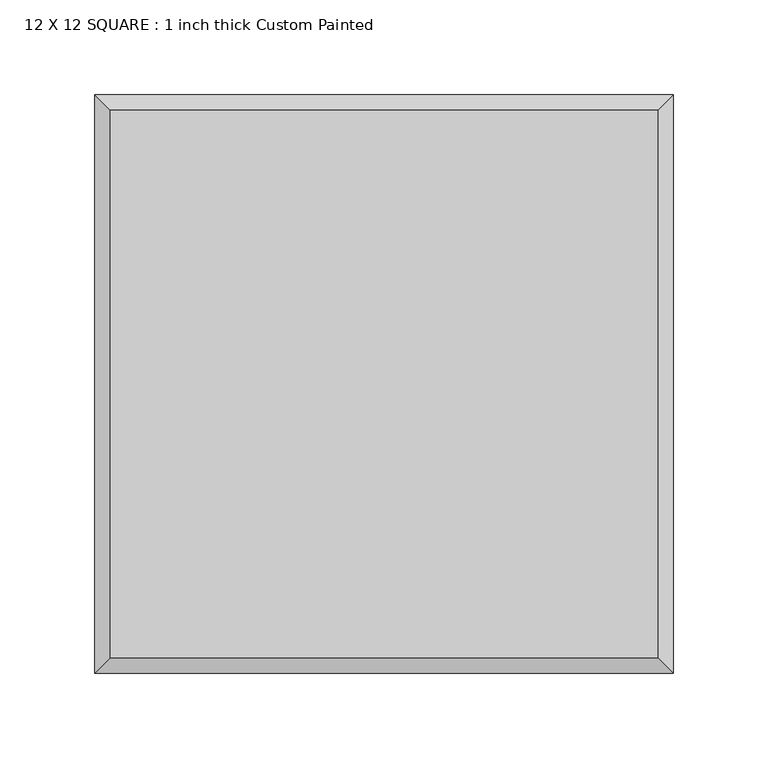
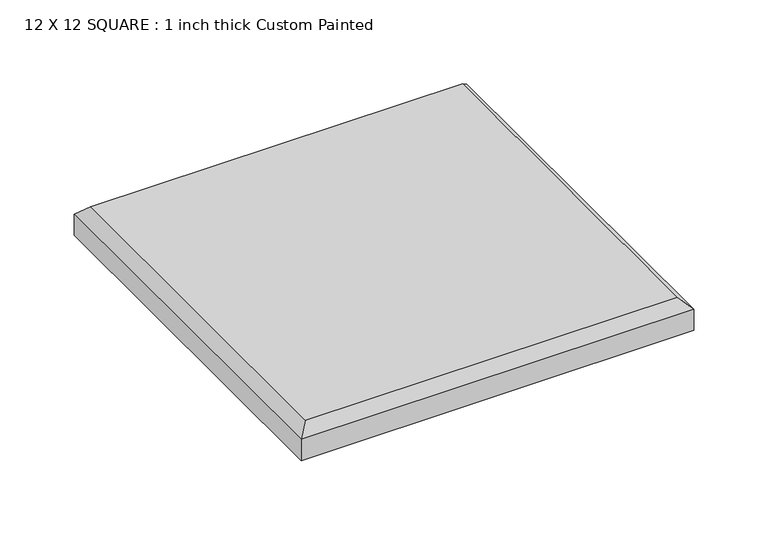
"""IFC4 building model written with IfcOpenShell, lengths in millimetres: proxy geometry, 12 X 12 SQUARE : 1 inch thick Custom Painted."""

from ifc_helpers import new_model, si_unit, origin, place, context, project, spatial, faceted_brep, source, transform, mapped, element, save


def proxy_12_x_12_square_1_inch_thick_custom_painted_58b678f2(model_context):
    return source(origin(), model_context, "Body", "Brep", [
        faceted_brep([(144.399, 144.399, 25.4), (-144.399, 144.399, 25.4), (-144.399, -144.399, 25.4), (144.399, -144.399, 25.4), (-152.4, 152.4, 0.0), (152.4, 152.4, 0.0), (152.4, -152.4, 0.0), (-152.4, -152.4, 0.0), (-152.4, -152.4, 17.399), (-152.4, 152.4, 17.399), (152.4, -152.4, 17.399), (152.4, 152.4, 17.399)], [[[0, 1, 2, 3]], [[4, 5, 6, 7]], [[4, 7, 8, 9]], [[7, 6, 10, 8]], [[6, 5, 11, 10]], [[5, 4, 9, 11]], [[9, 1, 0, 11]], [[1, 9, 8, 2]], [[2, 8, 10, 3]], [[11, 0, 3, 10]]]),
    ])


if __name__ == "__main__":
    model = new_model("IFC4")
    model_context = context("Model", 3, world=origin())
    ifc_project = project(units=[si_unit("LENGTHUNIT", "METRE", prefix="MILLI")], contexts=[model_context])
    site = spatial("IfcSite", under=ifc_project)
    building = spatial("IfcBuilding", under=site)
    placement = place(None, origin())
    proxy_12_x_12_square_1_inch_thick_custom_painted_shape = proxy_12_x_12_square_1_inch_thick_custom_painted_58b678f2(model_context)
    element("IfcBuildingElementProxy", 1, Name="12 X 12 SQUARE : 1 inch thick Custom Painted", ObjectType="12 X 12 SQUARE : 1 inch thick Custom Painted", at=placement, inside=building, context=model_context, shape_type="MappedRepresentation", body=[
        mapped(proxy_12_x_12_square_1_inch_thick_custom_painted_shape, transform((0.0, 0.0, 0.0), x_axis=(1.0, 0.0, 0.0), y_axis=(0.0, 1.0, 0.0), z_axis=(0.0, 0.0, 1.0))),
    ])
    save(model, "model.ifc")
